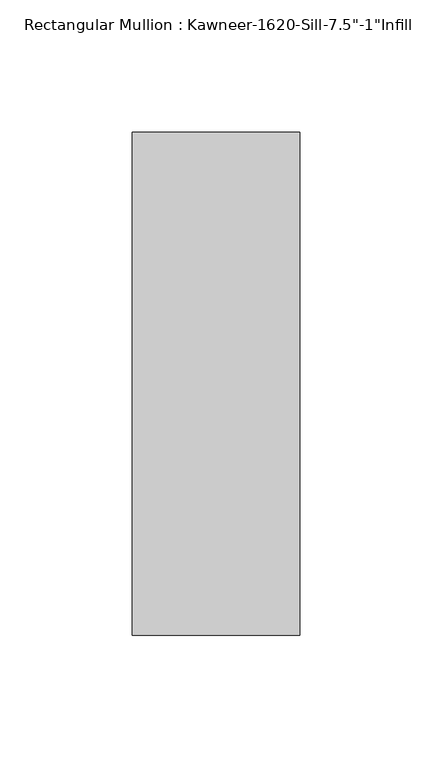
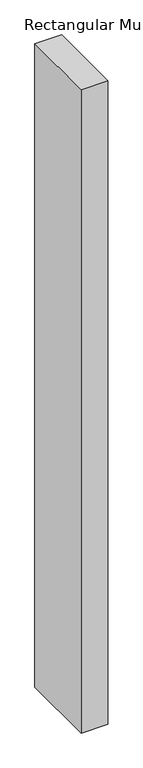
"""IFC4 building model written with IfcOpenShell, lengths in millimetres: member geometry."""

from ifc_helpers import new_model, si_unit, frame, origin, place, context, project, spatial, polyline, outline, extrude, source, transform, mapped, element, save


def member_22c18aef(model_context):
    return source(origin(), model_context, "Body", "SweptSolid", [
        extrude(outline(polyline([(-63.5, 38.1), (0.0, 38.1), (0.0, -152.4), (-63.5, -152.4), (-63.5, 38.1)])), frame((0.0, 0.0, -1620.1182369), z_axis=(0.0, 0.0, 1.0), x_axis=(1.0, 0.0, 0.0)), (0.0, 0.0, 1.0), 1620.1182369),
    ])


if __name__ == "__main__":
    model = new_model("IFC4")
    model_context = context("Model", 3, world=origin())
    ifc_project = project(units=[si_unit("LENGTHUNIT", "METRE", prefix="MILLI")], contexts=[model_context])
    site = spatial("IfcSite", under=ifc_project)
    building = spatial("IfcBuilding", under=site)
    placement = place(None, origin())
    member_shape = member_22c18aef(model_context)
    element("IfcMember", 1, ObjectType="Rectangular Mullion : Kawneer-1620-Sill-7.5\"-1\"Infill", at=placement, inside=building, context=model_context, shape_type="MappedRepresentation", body=[
        mapped(member_shape, transform((0.0, 0.0, 0.0), x_axis=(1.0, 0.0, 0.0), y_axis=(0.0, 1.0, 0.0), z_axis=(0.0, 0.0, 1.0))),
    ])
    save(model, "model.ifc")
